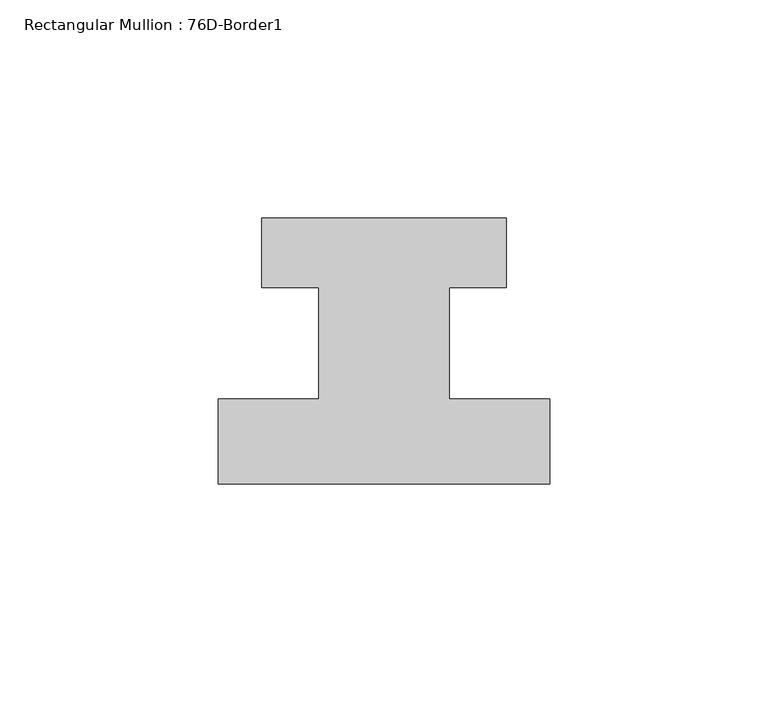
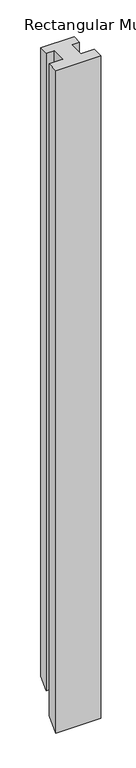
"""IFC4 building model written with IfcOpenShell, lengths in millimetres: member geometry, Rectangular Mullion : 76D-Border1."""

import ifcopenshell
import ifcopenshell.guid

model = None  # the IFC model being written
_history = None  # IfcOwnerHistory: only IFC2X3 demands one
_inside = {}  # id of a spatial element -> (the spatial element, [elements in it])
_under = {}  # id of a project, library or spatial element -> (it, [spatial elements below it])
_declared = {}  # id of a project -> (the project, [libraries it declares])
_typed = {}  # id of a type object -> (the type object, [elements of that type])
_made_of = {}  # id of a material, layer set ... -> (it, [elements and type objects made of it])


def new_model(schema):
    """Start an empty IFC model of exactly this schema.

    Asked for "IFC4X3", IfcOpenShell would pick the latest addendum, in which some entities
    have other attributes; the version numbers below select the first issue.
    IFC2X3 requires an IfcOwnerHistory on every rooted entity: one is made here for all.
    """
    global model, _history
    if schema == "IFC4X3":
        model = ifcopenshell.file(schema_version=(4, 3, 0, 0))
    else:
        model = ifcopenshell.file(schema=schema)
    _inside.clear()
    _under.clear()
    _declared.clear()
    _typed.clear()
    _made_of.clear()
    _history = None
    if model.schema == "IFC2X3":
        org = make("IfcOrganization", Name="unknown")
        user = make(
            "IfcPersonAndOrganization",
            ThePerson=make("IfcPerson", FamilyName="unknown"),
            TheOrganization=org,
        )
        app = make(
            "IfcApplication",
            ApplicationDeveloper=org,
            Version="unknown",
            ApplicationFullName="unknown",
            ApplicationIdentifier="unknown",
        )
        _history = make(
            "IfcOwnerHistory",
            OwningUser=user,
            OwningApplication=app,
            ChangeAction="ADDED",
            CreationDate=0,
        )
    return model


def make(cls, **values):
    """One entity of the class cls with the attributes given. An attribute that is None is left unset."""
    return model.create_entity(
        cls, **{name: value for name, value in values.items() if value is not None}
    )


def rooted(cls, **values):
    """An entity with a GlobalId (a new one), such as an element, a storey or a relation."""
    return make(cls, GlobalId=ifcopenshell.guid.new(), OwnerHistory=_history, **values)


def si_unit(unit_type, name, prefix=None):
    """IfcSIUnit, for example si_unit("LENGTHUNIT", "METRE", prefix="MILLI")."""
    return make("IfcSIUnit", UnitType=unit_type, Prefix=prefix, Name=name)


def assignment(units):
    """IfcUnitAssignment: the units of a project."""
    return None if units is None else make("IfcUnitAssignment", Units=units)


def point(xyz):
    """IfcCartesianPoint."""
    return None if xyz is None else make("IfcCartesianPoint", Coordinates=xyz)


def direction(xyz):
    """IfcDirection."""
    return None if xyz is None else make("IfcDirection", DirectionRatios=xyz)


def frame(location, z_axis=None, x_axis=None):
    """IfcAxis2Placement3D, a coordinate frame: its origin and axes. An axis left out is left unset."""
    return make(
        "IfcAxis2Placement3D",
        Location=point(location),
        Axis=direction(z_axis),
        RefDirection=direction(x_axis),
    )


def origin():
    """The frame at (0, 0, 0) with its axes left unset."""
    return frame((0.0, 0.0, 0.0))


def place(relative_to, where):
    """IfcLocalPlacement: puts the frame where relative to a parent placement (None: the world)."""
    return make(
        "IfcLocalPlacement", PlacementRelTo=relative_to, RelativePlacement=where
    )


def context(
    kind, dimensions, precision=None, world=None, true_north=None, identifier=None
):
    """IfcGeometricRepresentationContext, for example the 3D "Model" context."""
    return make(
        "IfcGeometricRepresentationContext",
        ContextIdentifier=identifier,
        ContextType=kind,
        CoordinateSpaceDimension=dimensions,
        Precision=precision,
        WorldCoordinateSystem=world,
        TrueNorth=true_north,
    )


def project(units=None, contexts=None):
    """IfcProject with its units and contexts."""
    return rooted(
        "IfcProject",
        Name="project",
        RepresentationContexts=contexts,
        UnitsInContext=assignment(units),
    )


def spatial(cls, under=None, at=None, **own):
    """A site, building, storey or space (cls), placed at a placement, below another one or the project."""
    s = rooted(cls, ObjectPlacement=at, **own)
    if under is not None:
        _under.setdefault(under.id(), (under, []))[1].append(s)
    return s


def faces_of(points, faces, orient=None, outer=None):
    """IfcFace entities. A face is a list of loops; a loop is a list of indices into points, from 0.

    orient and outer hold one flag for each loop. By default every Orientation is true, the
    first loop of a face is its IfcFaceOuterBound and the others are IfcFaceBound.
    """
    made = []
    for i, loops in enumerate(faces):
        bounds = []
        for j, loop in enumerate(loops):
            is_outer = j == 0 if outer is None else outer[i][j]
            bounds.append(
                make(
                    "IfcFaceOuterBound" if is_outer else "IfcFaceBound",
                    Bound=make("IfcPolyLoop", Polygon=[points[k] for k in loop]),
                    Orientation=True if orient is None else orient[i][j],
                )
            )
        made.append(make("IfcFace", Bounds=bounds))
    return made


def faceted_brep(points, faces, orient=None, outer=None, voids=None):
    """IfcFacetedBrep: a solid bounded by flat faces; with voids (closed shells), ...WithVoids."""
    shared = [point(p) for p in points]
    hull = make("IfcClosedShell", CfsFaces=faces_of(shared, faces, orient, outer))
    if voids is None:
        return make("IfcFacetedBrep", Outer=hull)
    return make(
        "IfcFacetedBrepWithVoids",
        Outer=hull,
        Voids=[
            make(cls, CfsFaces=faces_of(shared, fs, o, b)) for cls, fs, o, b in voids
        ],
    )


def shape(context_of_items, identifier, shape_type, items):
    """IfcShapeRepresentation: the items that make up one representation, for example the "Body"."""
    return make(
        "IfcShapeRepresentation",
        ContextOfItems=context_of_items,
        RepresentationIdentifier=identifier,
        RepresentationType=shape_type,
        Items=items,
    )


def source(mapping_origin, context_of_items, identifier, shape_type, items):
    """IfcRepresentationMap: a shape defined once, which mapped items show again and again."""
    return make(
        "IfcRepresentationMap",
        MappingOrigin=mapping_origin,
        MappedRepresentation=shape(context_of_items, identifier, shape_type, items),
    )


def transform(
    local_origin,
    x_axis=None,
    y_axis=None,
    z_axis=None,
    scale=None,
    scale2=None,
    scale3=None,
    uniform=True,
):
    """IfcCartesianTransformationOperator3D, or its non-uniform kind. x_axis, y_axis, z_axis: its Axis1, 2, 3."""
    if uniform:
        return make(
            "IfcCartesianTransformationOperator3D",
            Axis1=direction(x_axis),
            Axis2=direction(y_axis),
            LocalOrigin=point(local_origin),
            Scale=scale,
            Axis3=direction(z_axis),
        )
    return make(
        "IfcCartesianTransformationOperator3DnonUniform",
        Axis1=direction(x_axis),
        Axis2=direction(y_axis),
        LocalOrigin=point(local_origin),
        Scale=scale,
        Axis3=direction(z_axis),
        Scale2=scale2,
        Scale3=scale3,
    )


def mapped(mapping_source, mapping_target):
    """IfcMappedItem: shows the shape of a source again, moved by a transform."""
    return make(
        "IfcMappedItem", MappingSource=mapping_source, MappingTarget=mapping_target
    )


def made_of(thing, what):
    """Note that an element or type object is made of a material, layer set ...; save() writes the relation."""
    if what is not None:
        _made_of.setdefault(what.id(), (what, []))[1].append(thing)
    return thing


def element(
    cls,
    number,
    at=None,
    inside=None,
    cuts=None,
    type_object=None,
    material=None,
    context=None,
    identifier="Body",
    shape_type=None,
    held_by="IfcProductDefinitionShape",
    body=None,
    shapes=None,
    **own,
):
    """One element of the class cls, such as IfcWall. Its Tag is "e" and its number.

    at: its placement. inside: the storey or other place that contains it. cuts: it is an
    opening in that element (IfcRelVoidsElement). A single representation is given by context,
    identifier, shape_type and body (its items); several are given by shapes. held_by: the class
    of the entity that holds the representations. save() writes the other relations.
    """
    e = rooted(cls, Tag="e%d" % number, ObjectPlacement=at, **own)
    if body is not None:
        shapes = [shape(context, identifier, shape_type, body)]
    if shapes is not None:
        e.Representation = make(held_by, Representations=shapes)
    if inside is not None:
        _inside.setdefault(inside.id(), (inside, []))[1].append(e)
    if cuts is not None:
        rooted(
            "IfcRelVoidsElement", RelatingBuildingElement=cuts, RelatedOpeningElement=e
        )
    if type_object is not None:
        _typed.setdefault(type_object.id(), (type_object, []))[1].append(e)
    return made_of(e, material)


def aggregate(whole, parts):
    """IfcRelAggregates: a whole, such as a stair, and the parts it consists of."""
    return rooted("IfcRelAggregates", RelatingObject=whole, RelatedObjects=parts)


def save(model, path):
    """Write the relations noted so far, then the file.

    IfcRelAggregates (storeys below a building ...), IfcRelContainedInSpatialStructure (elements
    in a storey), IfcRelDefinesByType, IfcRelAssociatesMaterial and IfcRelDeclares: one each for
    every whole, place, type object, material and project.
    """
    for whole, parts in _under.values():
        aggregate(whole, parts)
    for where, things in _inside.values():
        rooted(
            "IfcRelContainedInSpatialStructure",
            RelatedElements=things,
            RelatingStructure=where,
        )
    for kind, things in _typed.values():
        rooted("IfcRelDefinesByType", RelatedObjects=things, RelatingType=kind)
    for what, things in _made_of.values():
        rooted("IfcRelAssociatesMaterial", RelatedObjects=things, RelatingMaterial=what)
    for by, libraries in _declared.values():
        rooted("IfcRelDeclares", RelatingContext=by, RelatedDefinitions=libraries)
    model.write(path)


def rectangular_mullion_76d_border1_2db2442f(model_context):
    return source(origin(), model_context, "Body", "Brep", [
        faceted_brep([(-76.0, -20.0, 0.0), (0.0, -20.0, 0.0), (0.0, -0.5, 0.0), (-23.0, -0.5, 0.0), (-23.0, 25.0, 0.0), (-10.0, 25.0, 0.0), (-10.0, 41.0, 0.0), (-66.0, 41.0, 0.0), (-66.0, 25.0, 0.0), (-53.0, 25.0, 0.0), (-53.0, -0.5, 0.0), (-76.0, -0.5, 0.0), (-76.0, -20.0, -1182.0), (0.0, -20.0, -1182.0), (0.0, -0.5, -1162.5), (-23.0, -0.5, -1162.5), (-23.0, 25.0, -1137.0), (-10.0, 25.0, -1137.0), (-10.0, 41.0, -1121.0), (-66.0, 41.0, -1121.0), (-66.0, 25.0, -1137.0), (-53.0, 25.0, -1137.0), (-53.0, -0.5, -1162.5), (-76.0, -0.5, -1162.5)], [[[0, 1, 2, 3, 4, 5, 6, 7, 8, 9, 10, 11]], [[1, 0, 12, 13]], [[2, 1, 13, 14]], [[3, 2, 14, 15]], [[4, 3, 15, 16]], [[5, 4, 16, 17]], [[6, 5, 17, 18]], [[7, 6, 18, 19]], [[8, 7, 19, 20]], [[9, 8, 20, 21]], [[10, 9, 21, 22]], [[11, 10, 22, 23]], [[0, 11, 23, 12]], [[12, 23, 22, 21, 20, 19, 18, 17, 16, 15, 14, 13]]]),
    ])


if __name__ == "__main__":
    model = new_model("IFC4")
    model_context = context("Model", 3, world=origin())
    ifc_project = project(units=[si_unit("LENGTHUNIT", "METRE", prefix="MILLI")], contexts=[model_context])
    site = spatial("IfcSite", under=ifc_project)
    building = spatial("IfcBuilding", under=site)
    placement = place(None, origin())
    rectangular_mullion_76d_border1_shape = rectangular_mullion_76d_border1_2db2442f(model_context)
    element("IfcMember", 1, ObjectType="Rectangular Mullion : 76D-Border1", at=placement, inside=building, context=model_context, shape_type="MappedRepresentation", body=[
        mapped(rectangular_mullion_76d_border1_shape, transform((0.0, 0.0, 0.0), x_axis=(1.0, 0.0, 0.0), y_axis=(0.0, 1.0, 0.0), z_axis=(0.0, 0.0, 1.0))),
    ])
    save(model, "model.ifc")
